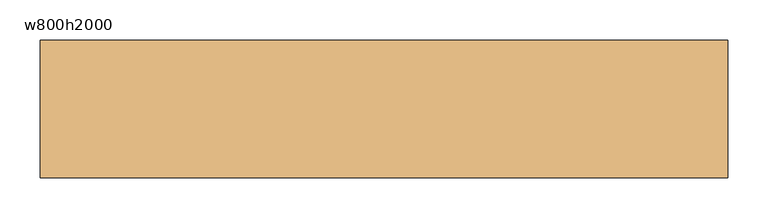
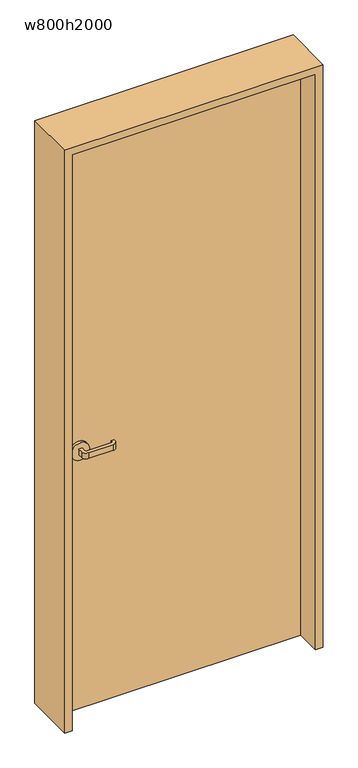
"""IFC4 building model written with IfcOpenShell, lengths in millimetres: door geometry, w800h2000."""

from ifc_helpers import new_model, si_unit, point, frame, frame_2d, origin, origin_with_axes, place, context, project, spatial, polyline, circle_curve, trimmed, segment, composite_curve, outline, extrude, source, transform, mapped, element, save


def w800h2000_d618cdcf(model_context):
    return source(origin(), model_context, "Body", "SweptSolid", [
        extrude(outline(polyline([(400.0, 40.0), (400.0, 0.0), (-400.0, 0.0), (-400.0, 40.0), (400.0, 40.0)])), origin_with_axes(), (0.0, 0.0, 1.0), 2000.0),
        extrude(outline(composite_curve([segment(polyline([(-325.0, 50.0), (-335.0, 50.0), (-335.0, 65.0)]), True, "CONTINUOUS"), segment(trimmed(circle_curve(frame_2d((-320.0, 65.0)), 15.0), [point((-335.0, 65.0))], [point((-320.0, 80.0))], False, "CARTESIAN"), True, "CONTINUOUS"), segment(polyline([(-320.0, 80.0), (-240.0, 80.0)]), True, "CONTINUOUS"), segment(trimmed(circle_curve(frame_2d((-240.0, 65.0)), 15.0), [point((-240.0, 80.0))], [point((-225.0, 65.0))], False, "CARTESIAN"), True, "CONTINUOUS"), segment(polyline([(-225.0, 65.0), (-225.0, 60.0), (-235.0, 60.0), (-235.0, 65.0)]), True, "CONTINUOUS"), segment(trimmed(circle_curve(frame_2d((-240.0, 65.0)), 5.0), [point((-235.0, 65.0))], [point((-240.0, 70.0))], True, "CARTESIAN"), True, "CONTINUOUS"), segment(polyline([(-240.0, 70.0), (-320.0, 70.0)]), True, "CONTINUOUS"), segment(trimmed(circle_curve(frame_2d((-320.0, 65.0)), 5.0), [point((-320.0, 70.0))], [point((-325.0, 65.0))], True, "CARTESIAN"), True, "CONTINUOUS"), segment(polyline([(-325.0, 65.0), (-325.0, 50.0)]), True, "CONTINUOUS")], self_intersect=False)), frame((0.0, 0.0, 890.0), z_axis=(0.0, 0.0, 1.0), x_axis=(1.0, 0.0, 0.0)), (0.0, 0.0, 1.0), 20.0),
        extrude(outline(composite_curve([segment(trimmed(circle_curve(frame_2d((900.0, -330.0)), 30.0), [point((900.0, -360.0))], [point((900.0, -300.0))], False, "CARTESIAN"), True, "CONTINUOUS"), segment(trimmed(circle_curve(frame_2d((900.0, -330.0)), 30.0), [point((900.0, -300.0))], [point((900.0, -360.0))], False, "CARTESIAN"), True, "CONTINUOUS")], self_intersect=False)), frame((0.0, 40.0, 0.0), z_axis=(0.0, 1.0, 0.0), x_axis=(0.0, 0.0, 1.0)), (0.0, 0.0, 1.0), 10.0),
        extrude(outline(composite_curve([segment(polyline([(-335.0, -10.0), (-325.0, -10.0), (-325.0, -25.0)]), True, "CONTINUOUS"), segment(trimmed(circle_curve(frame_2d((-320.0, -25.0)), 5.0), [point((-325.0, -25.0))], [point((-320.0, -30.0))], True, "CARTESIAN"), True, "CONTINUOUS"), segment(polyline([(-320.0, -30.0), (-240.0, -30.0)]), True, "CONTINUOUS"), segment(trimmed(circle_curve(frame_2d((-240.0, -25.0)), 5.0), [point((-240.0, -30.0))], [point((-235.0, -25.0))], True, "CARTESIAN"), True, "CONTINUOUS"), segment(polyline([(-235.0, -25.0), (-235.0, -20.0), (-225.0, -20.0), (-225.0, -25.0)]), True, "CONTINUOUS"), segment(trimmed(circle_curve(frame_2d((-240.0, -25.0)), 15.0), [point((-225.0, -25.0))], [point((-240.0, -40.0))], False, "CARTESIAN"), True, "CONTINUOUS"), segment(polyline([(-240.0, -40.0), (-320.0, -40.0)]), True, "CONTINUOUS"), segment(trimmed(circle_curve(frame_2d((-320.0, -25.0)), 15.0), [point((-320.0, -40.0))], [point((-335.0, -25.0))], False, "CARTESIAN"), True, "CONTINUOUS"), segment(polyline([(-335.0, -25.0), (-335.0, -10.0)]), True, "CONTINUOUS")], self_intersect=False)), frame((0.0, 0.0, 890.0), z_axis=(0.0, 0.0, 1.0), x_axis=(1.0, 0.0, 0.0)), (0.0, 0.0, 1.0), 20.0),
        extrude(outline(composite_curve([segment(trimmed(circle_curve(frame_2d((900.0, -330.0)), 30.0), [point((900.0, -360.0))], [point((900.0, -300.0))], False, "CARTESIAN"), True, "CONTINUOUS"), segment(trimmed(circle_curve(frame_2d((900.0, -330.0)), 30.0), [point((900.0, -300.0))], [point((900.0, -360.0))], False, "CARTESIAN"), True, "CONTINUOUS")], self_intersect=False)), frame((0.0, -10.0, 0.0), z_axis=(0.0, 1.0, 0.0), x_axis=(0.0, 0.0, 1.0)), (0.0, 0.0, 1.0), 10.0),
        extrude(outline(polyline([(0.0, -425.0), (0.0, -400.0), (2000.0, -400.0), (2000.0, 400.0), (0.0, 400.0), (0.0, 425.0), (2025.0, 425.0), (2025.0, -425.0), (0.0, -425.0)])), frame((0.0, -85.0, 0.0), z_axis=(0.0, 1.0, 0.0), x_axis=(0.0, 0.0, 1.0)), (0.0, 0.0, 1.0), 170.0),
    ])


if __name__ == "__main__":
    model = new_model("IFC4")
    model_context = context("Model", 3, world=origin())
    ifc_project = project(units=[si_unit("LENGTHUNIT", "METRE", prefix="MILLI")], contexts=[model_context])
    site = spatial("IfcSite", under=ifc_project)
    building = spatial("IfcBuilding", under=site)
    placement = place(None, origin())
    w800h2000_shape = w800h2000_d618cdcf(model_context)
    element("IfcDoor", 1, ObjectType="w800h2000", at=placement, inside=building, context=model_context, shape_type="MappedRepresentation", body=[
        mapped(w800h2000_shape, transform((0.0, 0.0, 0.0), x_axis=(1.0, 0.0, 0.0), y_axis=(0.0, 1.0, 0.0), z_axis=(0.0, 0.0, 1.0))),
    ])
    save(model, "model.ifc")
